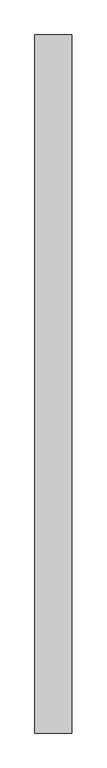
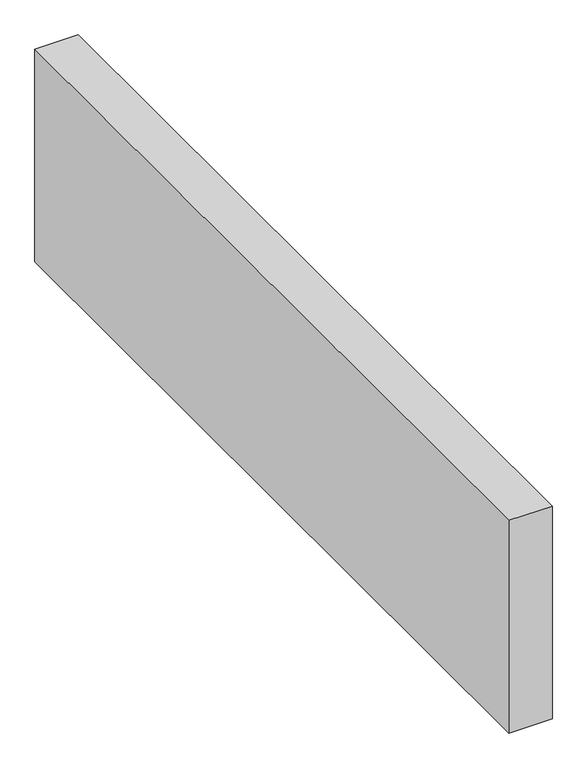
"""IFC4 building model written with IfcOpenShell, lengths in millimetres: proxy geometry."""

from ifc_helpers import new_model, si_unit, origin, origin_with_axes, place, context, project, spatial, polyline, outline, extrude, source, transform, mapped, element, save


def generic_models_5f87e85a(model_context):
    return source(origin(), model_context, "Body", "SweptSolid", [
        extrude(outline(polyline([(150.0, 2837.2372769), (150.0, 0.0), (0.0, 0.0), (0.0, 2837.2372769), (150.0, 2837.2372769)])), origin_with_axes(), (0.0, 0.0, 1.0), 776.6553396),
    ])


if __name__ == "__main__":
    model = new_model("IFC4")
    model_context = context("Model", 3, world=origin())
    ifc_project = project(units=[si_unit("LENGTHUNIT", "METRE", prefix="MILLI")], contexts=[model_context])
    site = spatial("IfcSite", under=ifc_project)
    building = spatial("IfcBuilding", under=site)
    placement = place(None, origin())
    generic_models_shape = generic_models_5f87e85a(model_context)
    element("IfcBuildingElementProxy", 1, Name="Generic Models", at=placement, inside=building, context=model_context, shape_type="MappedRepresentation", body=[
        mapped(generic_models_shape, transform((0.0, 0.0, 0.0), x_axis=(1.0, 0.0, 0.0), y_axis=(0.0, 1.0, 0.0), z_axis=(0.0, 0.0, 1.0))),
    ])
    save(model, "model.ifc")
